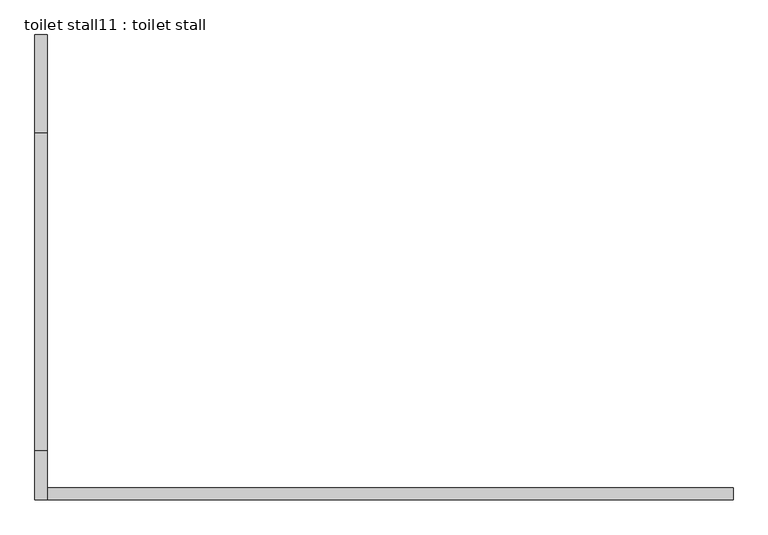
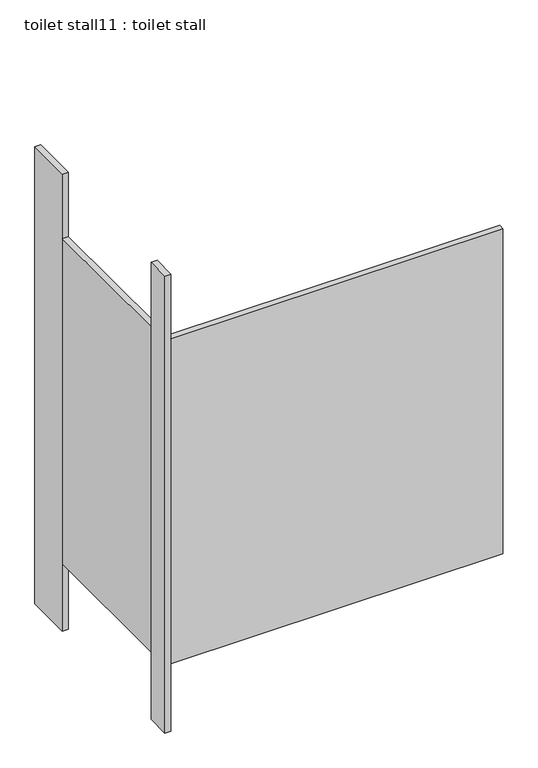
"""IFC4 building model written with IfcOpenShell, lengths in millimetres: proxy geometry, toilet stall11 : toilet stall."""

from ifc_helpers import new_model, si_unit, frame, origin, origin_with_axes, place, context, project, spatial, polyline, outline, extrude, source, transform, mapped, element, save


def toilet_stall11_toilet_stall_20504da4(model_context):
    return source(origin(), model_context, "Body", "SweptSolid", [
        extrude(outline(polyline([(454658.2004676, -273249.2113632), (454632.8004676, -273249.2113632), (454632.8004676, -273046.0113632), (454658.2004676, -273046.0113632), (454658.2004676, -273249.2113632)])), origin_with_axes(), (0.0, 0.0, 1.0), 2070.1),
        extrude(outline(polyline([(454658.2004676, -274011.2113632), (454632.8004676, -274011.2113632), (454632.8004676, -273909.6113632), (454658.2004676, -273909.6113632), (454658.2004676, -274011.2113632)])), origin_with_axes(), (0.0, 0.0, 1.0), 2070.1),
        extrude(outline(polyline([(454658.2004676, -274011.2113632), (454658.2004676, -273985.8113632), (456080.6004676, -273985.8113632), (456080.6004676, -274011.2113632), (454658.2004676, -274011.2113632)])), frame((0.0, 0.0, 304.8), z_axis=(0.0, 0.0, 1.0), x_axis=(1.0, 0.0, 0.0)), (0.0, 0.0, 1.0), 1473.2),
        extrude(outline(polyline([(454658.2004676, -273909.6113632), (454632.8004676, -273909.6113632), (454632.8004676, -273249.2113632), (454658.2004676, -273249.2113632), (454658.2004676, -273909.6113632)])), frame((0.0, 0.0, 304.8), z_axis=(0.0, 0.0, 1.0), x_axis=(1.0, 0.0, 0.0)), (0.0, 0.0, 1.0), 1473.2),
    ])


if __name__ == "__main__":
    model = new_model("IFC4")
    model_context = context("Model", 3, world=origin())
    ifc_project = project(units=[si_unit("LENGTHUNIT", "METRE", prefix="MILLI")], contexts=[model_context])
    site = spatial("IfcSite", under=ifc_project)
    building = spatial("IfcBuilding", under=site)
    placement = place(None, origin())
    toilet_stall11_toilet_stall_shape = toilet_stall11_toilet_stall_20504da4(model_context)
    element("IfcBuildingElementProxy", 1, Name="toilet stall11 : toilet stall", ObjectType="toilet stall11 : toilet stall", at=placement, inside=building, context=model_context, shape_type="MappedRepresentation", body=[
        mapped(toilet_stall11_toilet_stall_shape, transform((0.0, 0.0, 0.0), x_axis=(1.0, 0.0, 0.0), y_axis=(0.0, 1.0, 0.0), z_axis=(0.0, 0.0, 1.0))),
    ])
    save(model, "model.ifc")
